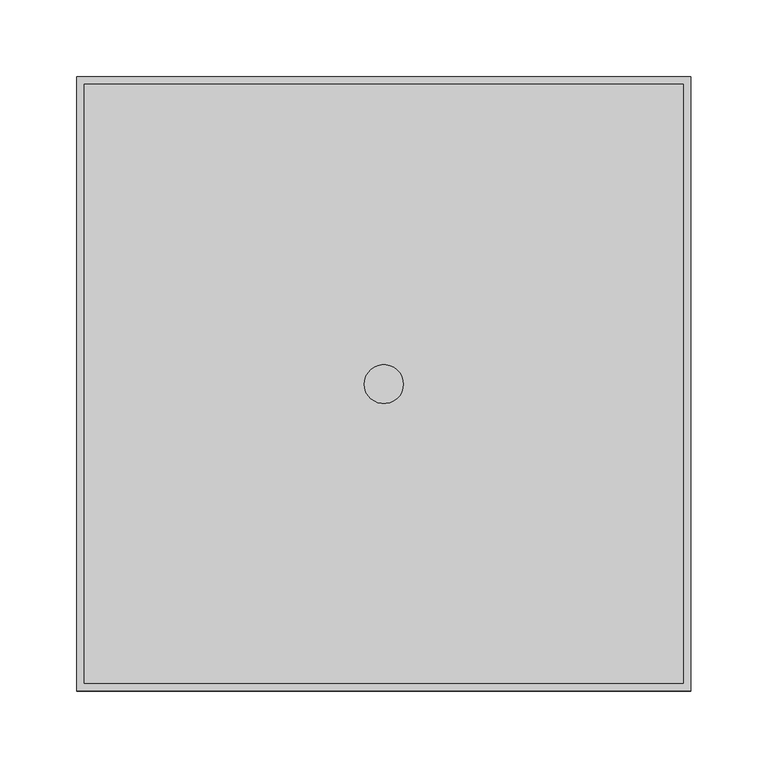
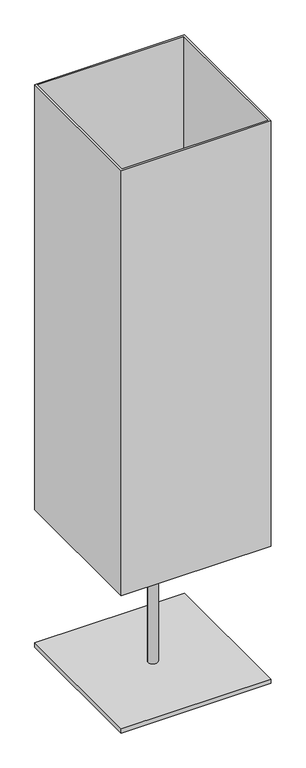
"""IFC4 building model written with IfcOpenShell, lengths in millimetres: light fixture geometry."""

from ifc_helpers import new_model, si_unit, point, frame, origin, origin_2d, place, context, project, spatial, polyline, circle_curve, trimmed, segment, composite_curve, outline, extrude, source, transform, mapped, element, save


def light_fixture_82c5db51(model_context):
    return source(origin(), model_context, "Body", "SweptSolid", [
        extrude(outline(composite_curve([segment(trimmed(circle_curve(origin_2d(), 12.7), [point((-12.7, 0.0))], [point((12.7, 0.0))], False, "CARTESIAN"), True, "CONTINUOUS"), segment(trimmed(circle_curve(origin_2d(), 12.7), [point((12.7, 0.0))], [point((-12.7, 0.0))], False, "CARTESIAN"), True, "CONTINUOUS")], self_intersect=False)), frame((0.0, 0.0, 24.9639672), z_axis=(0.0, 0.0, 1.0), x_axis=(1.0, 0.0, 0.0)), (0.0, 0.0, 1.0), 475.0360328),
        extrude(outline(polyline([(200.0, 200.0), (200.0, -200.0), (-200.0, -200.0), (-200.0, 200.0), (200.0, 200.0)])), frame((0.0, 0.0, 12.6871384), z_axis=(0.0, 0.0, 1.0), x_axis=(1.0, 0.0, 0.0)), (0.0, 0.0, 1.0), 12.2768288),
        extrude(outline(polyline([(200.0, 200.0), (200.0, -200.0), (-200.0, -200.0), (-200.0, 200.0), (200.0, 200.0)]), holes=[polyline([(-195.0, 195.0), (-195.0, -195.0), (195.0, -195.0), (195.0, 195.0), (-195.0, 195.0)])]), frame((0.0, 0.0, 400.0), z_axis=(0.0, 0.0, 1.0), x_axis=(1.0, 0.0, 0.0)), (0.0, 0.0, 1.0), 1200.0),
    ])


if __name__ == "__main__":
    model = new_model("IFC4")
    model_context = context("Model", 3, world=origin())
    ifc_project = project(units=[si_unit("LENGTHUNIT", "METRE", prefix="MILLI")], contexts=[model_context])
    site = spatial("IfcSite", under=ifc_project)
    building = spatial("IfcBuilding", under=site)
    placement = place(None, origin())
    light_fixture_shape = light_fixture_82c5db51(model_context)
    element("IfcLightFixture", 1, at=placement, inside=building, context=model_context, shape_type="MappedRepresentation", body=[
        mapped(light_fixture_shape, transform((0.0, 0.0, 0.0), x_axis=(1.0, 0.0, 0.0), y_axis=(0.0, 1.0, 0.0), z_axis=(0.0, 0.0, 1.0))),
    ])
    save(model, "model.ifc")
